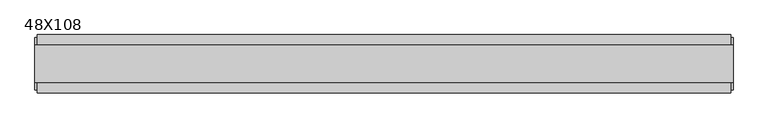
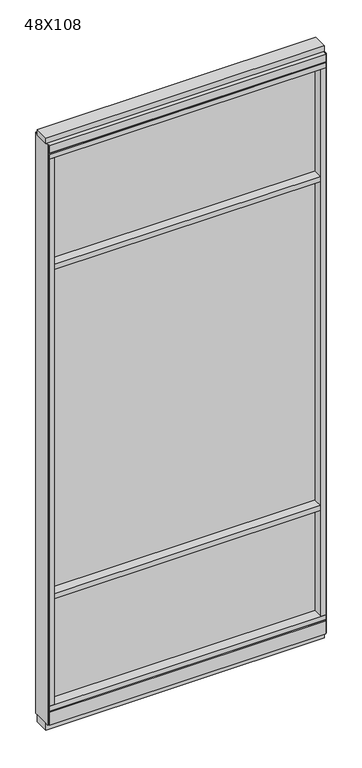
"""IFC4 building model written with IfcOpenShell, lengths in millimetres: furniture geometry, 48X108."""

from ifc_helpers import new_model, si_unit, frame, origin, origin_with_axes, place, context, project, spatial, polyline, outline, extrude, source, transform, mapped, element, save


def furniture_48x108_fce54c90(model_context):
    return source(origin(), model_context, "Body", "SweptSolid", [
        extrude(outline(polyline([(-643.4745229, 0.5622784), (523.4014771, 0.5622784), (523.4014771, -9.5977216), (-643.4745229, -9.5977216), (-643.4745229, 0.5622784)])), frame((0.0, 0.0, 2155.825), z_axis=(0.0, 0.0, 1.0), x_axis=(1.0, 0.0, 0.0)), (0.0, 0.0, 1.0), 498.475),
        extrude(outline(polyline([(-643.4745229, 0.5622784), (523.4014771, 0.5622784), (523.4014771, -9.5977216), (-643.4745229, -9.5977216), (-643.4745229, 0.5622784)])), frame((0.0, 0.0, 631.825), z_axis=(0.0, 0.0, 1.0), x_axis=(1.0, 0.0, 0.0)), (0.0, 0.0, 1.0), 1501.775),
        extrude(outline(polyline([(-643.4745229, -52.3332216), (-643.4745229, 43.2977784), (523.4014771, 43.2977784), (523.4014771, -52.3332216), (-643.4745229, -52.3332216)])), frame((0.0, 0.0, 2133.6), z_axis=(0.0, 0.0, 1.0), x_axis=(1.0, 0.0, 0.0)), (0.0, 0.0, 1.0), 22.225),
        extrude(outline(polyline([(-643.4745229, -52.3332216), (-643.4745229, 43.2977784), (523.4014771, 43.2977784), (523.4014771, -52.3332216), (-643.4745229, -52.3332216)])), frame((0.0, 0.0, 609.6), z_axis=(0.0, 0.0, 1.0), x_axis=(1.0, 0.0, 0.0)), (0.0, 0.0, 1.0), 22.225),
        extrude(outline(polyline([(523.4014771, -9.5977216), (-643.4745229, -9.5977216), (-643.4745229, 0.5622784), (523.4014771, 0.5622784), (523.4014771, -9.5977216)])), frame((0.0, 0.0, 120.523), z_axis=(0.0, 0.0, 1.0), x_axis=(1.0, 0.0, 0.0)), (0.0, 0.0, 1.0), 489.077),
        extrude(outline(polyline([(-55.3177216, 93.345), (-50.3647216, 93.345), (-50.3647216, 98.298), (41.3292784, 98.298), (41.3292784, 93.345), (46.2822784, 93.345), (46.2822784, 31.75), (-55.3177216, 31.75), (-55.3177216, 93.345)])), frame((-665.6995229, 0.0, 0.0), z_axis=(1.0, 0.0, 0.0), x_axis=(0.0, 1.0, 0.0)), (0.0, 0.0, 1.0), 1211.326),
        extrude(outline(polyline([(-665.6995229, -55.3177216), (-665.6995229, 46.2822784), (545.6264771, 46.2822784), (545.6264771, -55.3177216), (-665.6995229, -55.3177216)])), frame((0.0, 0.0, 98.298), z_axis=(0.0, 0.0, 1.0), x_axis=(1.0, 0.0, 0.0)), (0.0, 0.0, 1.0), 22.225),
        extrude(outline(polyline([(549.5634771, 27.9942784), (549.5634771, -37.0297216), (-669.6365229, -37.0297216), (-669.6365229, 27.9942784), (549.5634771, 27.9942784)])), origin_with_axes(), (0.0, 0.0, 1.0), 31.75),
        extrude(outline(polyline([(-669.6365229, -37.0297216), (-669.6365229, 27.9942784), (549.5634771, 27.9942784), (549.5634771, -37.0297216), (-669.6365229, -37.0297216)])), frame((0.0, 0.0, 2717.8), z_axis=(0.0, 0.0, 1.0), x_axis=(1.0, 0.0, 0.0)), (0.0, 0.0, 1.0), 25.4),
        extrude(outline(polyline([(-55.3177216, 2681.478), (-55.3177216, 2717.8), (46.2822784, 2717.8), (46.2822784, 2681.478), (41.3292784, 2681.478), (41.3292784, 2676.525), (-50.3647216, 2676.525), (-50.3647216, 2681.478), (-55.3177216, 2681.478)])), frame((-665.6995229, 0.0, 0.0), z_axis=(1.0, 0.0, 0.0), x_axis=(0.0, 1.0, 0.0)), (0.0, 0.0, 1.0), 1211.326),
        extrude(outline(polyline([(545.6264771, 46.2822784), (545.6264771, -55.3177216), (-665.6995229, -55.3177216), (-665.6995229, 46.2822784), (545.6264771, 46.2822784)])), frame((0.0, 0.0, 2654.3), z_axis=(0.0, 0.0, 1.0), x_axis=(1.0, 0.0, 0.0)), (0.0, 0.0, 1.0), 22.225),
        extrude(outline(polyline([(523.4014771, -55.3177216), (523.4014771, 46.2822784), (545.6264771, 46.2822784), (545.6264771, -55.3177216), (523.4014771, -55.3177216)])), frame((0.0, 0.0, 120.523), z_axis=(0.0, 0.0, 1.0), x_axis=(1.0, 0.0, 0.0)), (0.0, 0.0, 1.0), 2533.777),
        extrude(outline(polyline([(-643.4745229, -55.3177216), (-665.6995229, -55.3177216), (-665.6995229, 46.2822784), (-643.4745229, 46.2822784), (-643.4745229, -55.3177216)])), frame((0.0, 0.0, 120.523), z_axis=(0.0, 0.0, 1.0), x_axis=(1.0, 0.0, 0.0)), (0.0, 0.0, 1.0), 2533.777),
        extrude(outline(polyline([(549.5634771, -50.3647216), (545.6264771, -50.3647216), (545.6264771, 41.3292784), (549.5634771, 41.3292784), (549.5634771, -50.3647216)])), frame((0.0, 0.0, 31.75), z_axis=(0.0, 0.0, 1.0), x_axis=(1.0, 0.0, 0.0)), (0.0, 0.0, 1.0), 2686.05),
        extrude(outline(polyline([(-669.6365229, -50.3647216), (-669.6365229, 41.3292784), (-665.6995229, 41.3292784), (-665.6995229, -50.3647216), (-669.6365229, -50.3647216)])), frame((0.0, 0.0, 31.75), z_axis=(0.0, 0.0, 1.0), x_axis=(1.0, 0.0, 0.0)), (0.0, 0.0, 1.0), 2686.05),
    ])


if __name__ == "__main__":
    model = new_model("IFC4")
    model_context = context("Model", 3, world=origin())
    ifc_project = project(units=[si_unit("LENGTHUNIT", "METRE", prefix="MILLI")], contexts=[model_context])
    site = spatial("IfcSite", under=ifc_project)
    building = spatial("IfcBuilding", under=site)
    placement = place(None, origin())
    furniture_48x108_shape = furniture_48x108_fce54c90(model_context)
    element("IfcFurniture", 1, ObjectType="48X108", at=placement, inside=building, context=model_context, shape_type="MappedRepresentation", body=[
        mapped(furniture_48x108_shape, transform((0.0, 0.0, 0.0), x_axis=(1.0, 0.0, 0.0), y_axis=(0.0, 1.0, 0.0), z_axis=(0.0, 0.0, 1.0))),
    ])
    save(model, "model.ifc")
